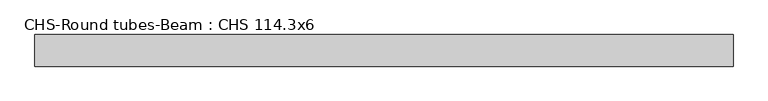
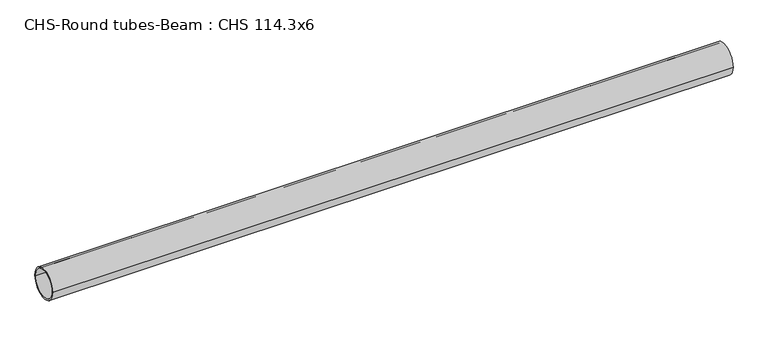
"""IFC4 building model written with IfcOpenShell, lengths in millimetres: beam geometry, CHS-Round tubes-Beam : CHS 114.3x6."""

from ifc_helpers import new_model, si_unit, point, frame, origin, origin_2d, place, context, project, spatial, circle_curve, trimmed, segment, composite_curve, outline, extrude, source, transform, mapped, element, save


def chs_round_tubes_beam_chs_114_3x6_e5591b09(model_context):
    return source(origin(), model_context, "Body", "SweptSolid", [
        extrude(outline(composite_curve([segment(trimmed(circle_curve(origin_2d(), 57.15), [point((57.15, 0.0))], [point((-57.15, 0.0))], False, "CARTESIAN"), True, "CONTINUOUS"), segment(trimmed(circle_curve(origin_2d(), 57.15), [point((-57.15, 0.0))], [point((57.15, 0.0))], False, "CARTESIAN"), True, "CONTINUOUS")], self_intersect=False), holes=[composite_curve([segment(trimmed(circle_curve(origin_2d(), 51.15), [point((51.15, 0.0))], [point((-51.15, 0.0))], True, "CARTESIAN"), True, "CONTINUOUS"), segment(trimmed(circle_curve(origin_2d(), 51.15), [point((-51.15, 0.0))], [point((51.15, 0.0))], True, "CARTESIAN"), True, "CONTINUOUS")], self_intersect=False)]), frame((-1224.4147907, 0.0, 0.0), z_axis=(1.0, 0.0, 0.0), x_axis=(0.0, 1.0, 0.0)), (0.0, 0.0, 1.0), 2526.1535512),
    ])


if __name__ == "__main__":
    model = new_model("IFC4")
    model_context = context("Model", 3, world=origin())
    ifc_project = project(units=[si_unit("LENGTHUNIT", "METRE", prefix="MILLI")], contexts=[model_context])
    site = spatial("IfcSite", under=ifc_project)
    building = spatial("IfcBuilding", under=site)
    placement = place(None, origin())
    chs_round_tubes_beam_chs_114_3x6_shape = chs_round_tubes_beam_chs_114_3x6_e5591b09(model_context)
    element("IfcBeam", 1, ObjectType="CHS-Round tubes-Beam : CHS 114.3x6", at=placement, inside=building, context=model_context, shape_type="MappedRepresentation", body=[
        mapped(chs_round_tubes_beam_chs_114_3x6_shape, transform((0.0, 0.0, 0.0), x_axis=(1.0, 0.0, 0.0), y_axis=(0.0, 1.0, 0.0), z_axis=(0.0, 0.0, 1.0))),
    ])
    save(model, "model.ifc")
